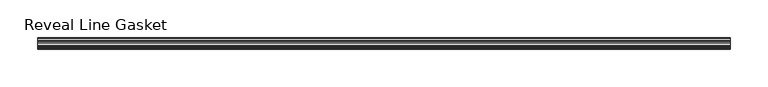
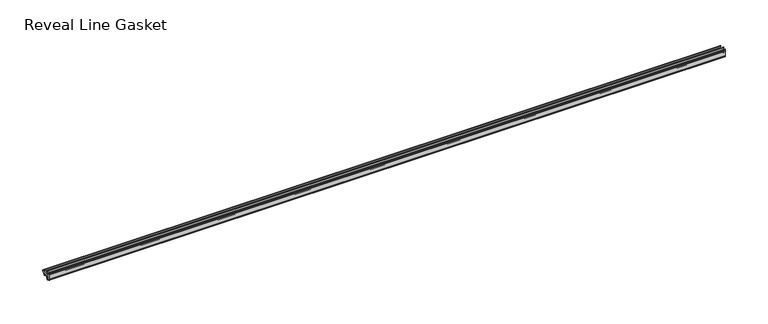
"""IFC4 building model written with IfcOpenShell, lengths in millimetres: furniture geometry, Reveal Line Gasket."""

from ifc_helpers import new_model, si_unit, point, frame, frame_2d, origin, place, context, project, spatial, polyline, circle_curve, trimmed, segment, composite_curve, outline, extrude, source, transform, mapped, element, save


def reveal_line_gasket_f4986db1(model_context):
    return source(origin(), model_context, "Body", "SweptSolid", [
        extrude(outline(composite_curve([segment(polyline([(-7.6326998, 1603.2), (-7.4091917, 1604.1554927), (-6.8813059, 1605.0884684)]), True, "CONTINUOUS"), segment(trimmed(circle_curve(frame_2d((-6.5243141, 1604.8864793)), 0.4101739), [point((-6.8813059, 1605.0884684))], [point((-6.1246704, 1604.7941347))], False, "CARTESIAN"), True, "CONTINUOUS"), segment(polyline([(-6.1246704, 1604.7941347), (-6.3626997, 1603.0979086), (-6.3626997, 1601.0654527)]), True, "CONTINUOUS"), segment(trimmed(circle_curve(frame_2d((-5.6959605, 1601.4819258)), 0.786124), [point((-6.3626997, 1601.0654527))], [point((-5.0926996, 1600.977875))], True, "CARTESIAN"), True, "CONTINUOUS"), segment(polyline([(-5.0926996, 1600.977875), (-0.7492996, 1600.977875), (-3.7293824, 1606.1395295)]), True, "CONTINUOUS"), segment(trimmed(circle_curve(frame_2d((-3.3132479, 1606.2049761)), 0.4212495), [point((-3.7293824, 1606.1395295))], [point((-3.0485022, 1606.5326358))], False, "CARTESIAN"), True, "CONTINUOUS"), segment(polyline([(-3.0485022, 1606.5326358), (0.5742594, 1600.977875), (4.8262978, 1600.977875), (3.1660374, 1603.8535297)]), True, "CONTINUOUS"), segment(trimmed(circle_curve(frame_2d((3.5978728, 1603.9118855)), 0.4357605), [point((3.1660374, 1603.8535297))], [point((3.864328, 1604.2566881))], False, "CARTESIAN"), True, "CONTINUOUS"), segment(polyline([(3.864328, 1604.2566881), (6.1944059, 1600.977875), (7.6326998, 1600.977875), (7.6326998, 1599.422125), (6.1944059, 1599.422125), (3.864328, 1596.1433119)]), True, "CONTINUOUS"), segment(trimmed(circle_curve(frame_2d((3.5978728, 1596.4881145)), 0.4357605), [point((3.864328, 1596.1433119))], [point((3.1660374, 1596.5464703))], False, "CARTESIAN"), True, "CONTINUOUS"), segment(polyline([(3.1660374, 1596.5464703), (4.8262978, 1599.422125), (0.5742594, 1599.422125), (-3.0485022, 1593.8673642)]), True, "CONTINUOUS"), segment(trimmed(circle_curve(frame_2d((-3.3132479, 1594.1950239)), 0.4212495), [point((-3.0485022, 1593.8673642))], [point((-3.7293824, 1594.2604705))], False, "CARTESIAN"), True, "CONTINUOUS"), segment(polyline([(-3.7293824, 1594.2604705), (-0.7492996, 1599.422125), (-5.0926996, 1599.422125)]), True, "CONTINUOUS"), segment(trimmed(circle_curve(frame_2d((-5.6959605, 1598.9180742)), 0.786124), [point((-5.0926996, 1599.422125))], [point((-6.3626997, 1599.3345473))], True, "CARTESIAN"), True, "CONTINUOUS"), segment(polyline([(-6.3626997, 1599.3345473), (-6.3626997, 1597.3020914), (-6.1246704, 1595.6058653)]), True, "CONTINUOUS"), segment(trimmed(circle_curve(frame_2d((-6.5243141, 1595.5135207)), 0.4101739), [point((-6.1246704, 1595.6058653))], [point((-6.8813059, 1595.3115316))], False, "CARTESIAN"), True, "CONTINUOUS"), segment(polyline([(-6.8813059, 1595.3115316), (-7.4091917, 1596.2445073), (-7.6326998, 1597.2), (-7.6326998, 1603.2)]), True, "CONTINUOUS")], self_intersect=False)), frame((-459.2490674, 0.0, 0.0), z_axis=(1.0, 0.0, 0.0), x_axis=(0.0, 1.0, 0.0)), (0.0, 0.0, 1.0), 918.4981348),
    ])


if __name__ == "__main__":
    model = new_model("IFC4")
    model_context = context("Model", 3, world=origin())
    ifc_project = project(units=[si_unit("LENGTHUNIT", "METRE", prefix="MILLI")], contexts=[model_context])
    site = spatial("IfcSite", under=ifc_project)
    building = spatial("IfcBuilding", under=site)
    placement = place(None, origin())
    reveal_line_gasket_shape = reveal_line_gasket_f4986db1(model_context)
    element("IfcFurniture", 1, ObjectType="Reveal Line Gasket", at=placement, inside=building, context=model_context, shape_type="MappedRepresentation", body=[
        mapped(reveal_line_gasket_shape, transform((0.0, 0.0, 0.0), x_axis=(1.0, 0.0, 0.0), y_axis=(0.0, 1.0, 0.0), z_axis=(0.0, 0.0, 1.0))),
    ])
    save(model, "model.ifc")
